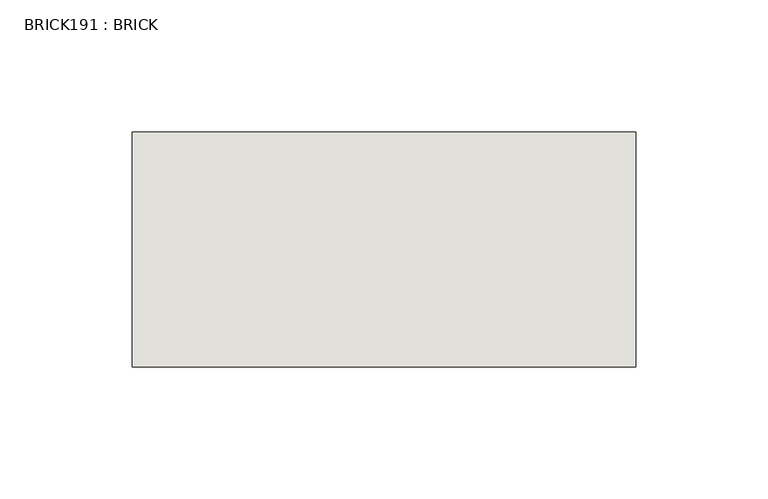
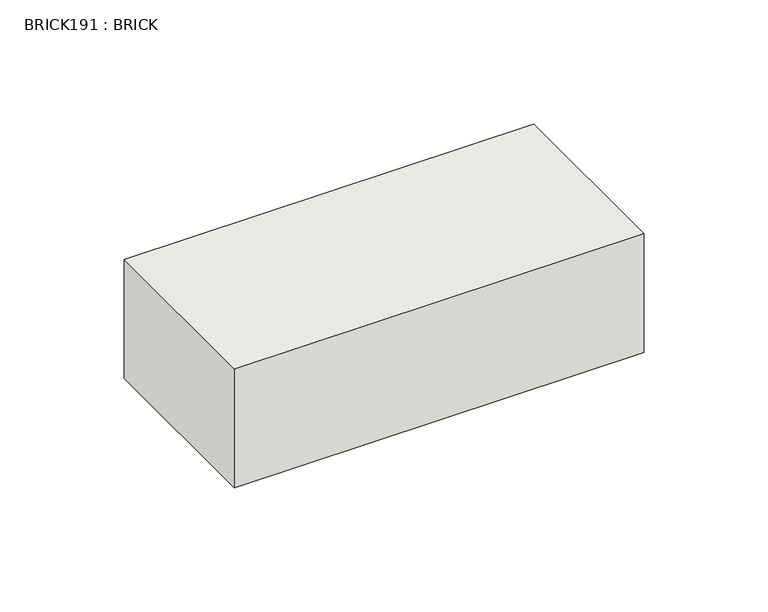
"""IFC4 building model written with IfcOpenShell, lengths in millimetres: wall geometry, BRICK191 : BRICK."""

from ifc_helpers import new_model, si_unit, frame, origin, place, context, project, spatial, polyline, outline, extrude, source, transform, mapped, element, save


def brick191_brick_82b841ee(model_context):
    return source(origin(), model_context, "Body", "SweptSolid", [
        extrude(outline(polyline([(-565.5316239, 3062.3923312), (-375.0316239, 3062.3923312), (-375.0316239, 2973.4923312), (-565.5316239, 2973.4923312), (-565.5316239, 3062.3923312)])), frame((0.0, 0.0, 353.7148438), z_axis=(0.0, 0.0, 1.0), x_axis=(1.0, 0.0, 0.0)), (0.0, 0.0, 1.0), 58.4398438),
    ])


if __name__ == "__main__":
    model = new_model("IFC4")
    model_context = context("Model", 3, world=origin())
    ifc_project = project(units=[si_unit("LENGTHUNIT", "METRE", prefix="MILLI")], contexts=[model_context])
    site = spatial("IfcSite", under=ifc_project)
    building = spatial("IfcBuilding", under=site)
    placement = place(None, origin())
    brick191_brick_shape = brick191_brick_82b841ee(model_context)
    element("IfcWall", 1, ObjectType="BRICK191 : BRICK", at=placement, inside=building, context=model_context, shape_type="MappedRepresentation", body=[
        mapped(brick191_brick_shape, transform((0.0, 0.0, 0.0), x_axis=(1.0, 0.0, 0.0), y_axis=(0.0, 1.0, 0.0), z_axis=(0.0, 0.0, 1.0))),
    ])
    save(model, "model.ifc")
